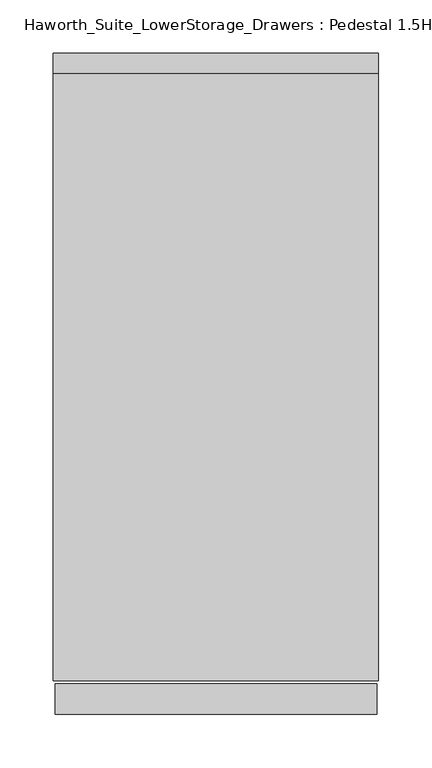
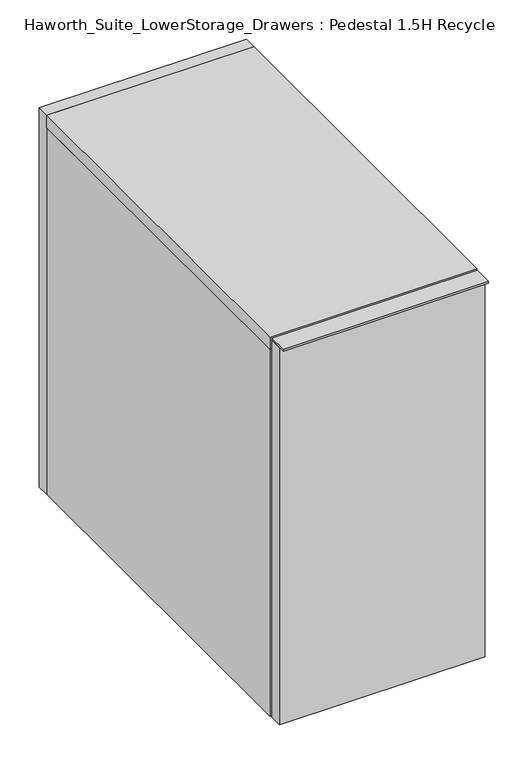
"""IFC4 building model written with IfcOpenShell, lengths in millimetres: furniture geometry, Haworth_Suite_LowerStorage_Drawers : Pedestal 1.5H Recycle."""

from ifc_helpers import new_model, si_unit, frame, origin, origin_with_axes, place, context, project, spatial, polyline, outline, extrude, source, transform, mapped, element, save


def haworth_suite_lowerstorage_drawers_pedestal_1_5h_recycle_3df42e4d(model_context):
    return source(origin(), model_context, "Body", "SweptSolid", [
        extrude(outline(polyline([(138.1125, -631.825), (-163.5125, -631.825), (-163.5125, -603.25), (138.1125, -603.25), (138.1125, -631.825)])), frame((0.0, 0.0, 585.7875), z_axis=(0.0, 0.0, 1.0), x_axis=(1.0, 0.0, 0.0)), (0.0, 0.0, 1.0), 3.175),
        extrude(outline(polyline([(138.1125, -603.25), (138.1125, -622.3), (-163.5125, -622.3), (-163.5125, -603.25), (138.1125, -603.25)])), origin_with_axes(), (0.0, 0.0, 1.0), 585.7875),
        extrude(outline(polyline([(139.7, -31.75), (139.7, -600.075), (-165.1, -600.075), (-165.1, -31.75), (139.7, -31.75)])), frame((0.0, 0.0, 569.9125), z_axis=(0.0, 0.0, 1.0), x_axis=(1.0, 0.0, 0.0)), (0.0, 0.0, 1.0), 19.05),
        extrude(outline(polyline([(120.65, -133.35), (120.65, -152.4), (-146.05, -152.4), (-146.05, -133.35), (120.65, -133.35)])), frame((0.0, 0.0, 38.1), z_axis=(0.0, 0.0, 1.0), x_axis=(1.0, 0.0, 0.0)), (0.0, 0.0, 1.0), 512.7625),
        extrude(outline(polyline([(139.7, -12.7), (139.7, -31.75), (-165.1, -31.75), (-165.1, -12.7), (139.7, -12.7)])), origin_with_axes(), (0.0, 0.0, 1.0), 588.9625),
        extrude(outline(polyline([(120.65, -133.35), (120.65, -501.65), (-146.05, -501.65), (-146.05, -133.35), (120.65, -133.35)])), frame((0.0, 0.0, 550.8625), z_axis=(0.0, 0.0, 1.0), x_axis=(1.0, 0.0, 0.0)), (0.0, 0.0, 1.0), 19.05),
        extrude(outline(polyline([(120.65, -31.75), (120.65, -600.075), (-146.05, -600.075), (-146.05, -31.75), (120.65, -31.75)])), origin_with_axes(), (0.0, 0.0, 1.0), 38.1),
        extrude(outline(polyline([(-146.05, -31.75), (-146.05, -600.075), (-165.1, -600.075), (-165.1, -31.75), (-146.05, -31.75)])), origin_with_axes(), (0.0, 0.0, 1.0), 569.9125),
        extrude(outline(polyline([(139.7, -600.075), (120.65, -600.075), (120.65, -31.75), (139.7, -31.75), (139.7, -600.075)])), origin_with_axes(), (0.0, 0.0, 1.0), 569.9125),
    ])


if __name__ == "__main__":
    model = new_model("IFC4")
    model_context = context("Model", 3, world=origin())
    ifc_project = project(units=[si_unit("LENGTHUNIT", "METRE", prefix="MILLI")], contexts=[model_context])
    site = spatial("IfcSite", under=ifc_project)
    building = spatial("IfcBuilding", under=site)
    placement = place(None, origin())
    haworth_suite_lowerstorage_drawers_pedestal_1_5h_recycle_shape = haworth_suite_lowerstorage_drawers_pedestal_1_5h_recycle_3df42e4d(model_context)
    element("IfcFurniture", 1, ObjectType="Haworth_Suite_LowerStorage_Drawers : Pedestal 1.5H Recycle", at=placement, inside=building, context=model_context, shape_type="MappedRepresentation", body=[
        mapped(haworth_suite_lowerstorage_drawers_pedestal_1_5h_recycle_shape, transform((0.0, 0.0, 0.0), x_axis=(1.0, 0.0, 0.0), y_axis=(0.0, 1.0, 0.0), z_axis=(0.0, 0.0, 1.0))),
    ])
    save(model, "model.ifc")
